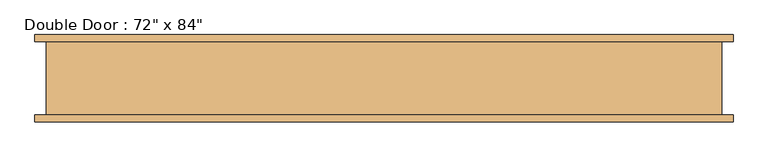
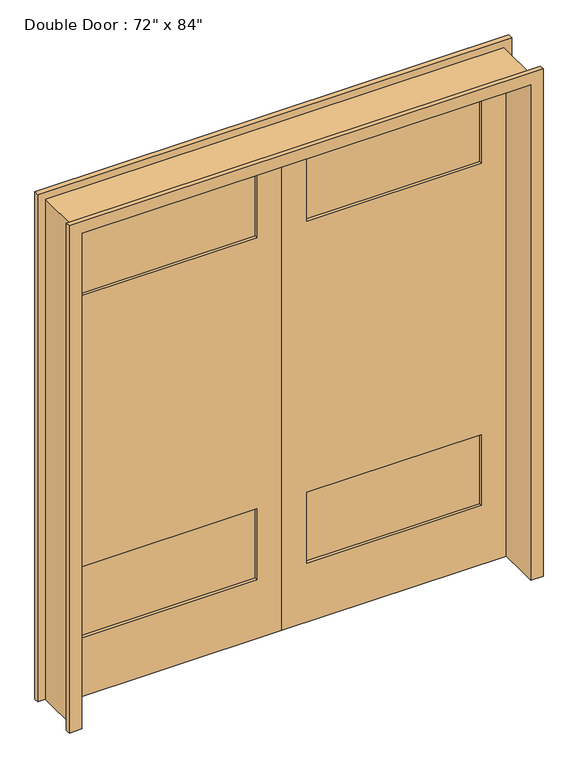
"""IFC4 building model written with IfcOpenShell, lengths in millimetres: door geometry."""

from ifc_helpers import new_model, si_unit, frame, origin, place, context, project, spatial, polyline, outline, extrude, faceted_brep, source, transform, mapped, element, save


def door_c40cea28(model_context):
    return source(origin(), model_context, "Body", "SolidModel", [
        extrude(outline(polyline([(812.8, 63.5), (101.6, 63.5), (101.6, 76.2), (812.8, 76.2), (812.8, 63.5)])), frame((0.0, 0.0, 1727.2), z_axis=(0.0, 0.0, 1.0), x_axis=(1.0, 0.0, 0.0)), (0.0, 0.0, 1.0), 304.8),
        extrude(outline(polyline([(812.8, 63.5), (101.6, 63.5), (101.6, 76.2), (812.8, 76.2), (812.8, 63.5)])), frame((0.0, 0.0, 254.0), z_axis=(0.0, 0.0, 1.0), x_axis=(1.0, 0.0, 0.0)), (0.0, 0.0, 1.0), 304.8),
        extrude(outline(polyline([(-101.6, 63.5), (-812.8, 63.5), (-812.8, 76.2), (-101.6, 76.2), (-101.6, 63.5)])), frame((0.0, 0.0, 254.0), z_axis=(0.0, 0.0, 1.0), x_axis=(1.0, 0.0, 0.0)), (0.0, 0.0, 1.0), 304.8),
        faceted_brep([(-965.2, -101.6, 0.0), (-933.45, -101.6, 0.0), (-933.45, 101.6, 0.0), (-965.2, 101.6, 0.0), (-965.2, 120.65, 0.0), (-914.4, 120.65, 0.0), (-914.4, -120.65, 0.0), (-965.2, -120.65, 0.0), (-965.2, -101.6, 2184.4), (965.2, -101.6, 2184.4), (965.2, -101.6, 0.0), (933.45, -101.6, 0.0), (933.45, -101.6, 2152.65), (-933.45, -101.6, 2152.65), (-933.45, 101.6, 2152.65), (933.45, 101.6, 2152.65), (933.45, 101.6, 0.0), (965.2, 101.6, 0.0), (965.2, 101.6, 2184.4), (-965.2, 101.6, 2184.4), (-965.2, 120.65, 2184.4), (965.2, 120.65, 2184.4), (965.2, 120.65, 0.0), (914.4, 120.65, 0.0), (914.4, 120.65, 2133.6), (-914.4, 120.65, 2133.6), (-914.4, -120.65, 2133.6), (914.4, -120.65, 2133.6), (914.4, -120.65, 0.0), (965.2, -120.65, 0.0), (965.2, -120.65, 2184.4), (-965.2, -120.65, 2184.4)], [[[0, 1, 2, 3, 4, 5, 6, 7]], [[1, 0, 8, 9, 10, 11, 12, 13]], [[2, 1, 13, 14]], [[3, 2, 14, 15, 16, 17, 18, 19]], [[4, 3, 19, 20]], [[5, 4, 20, 21, 22, 23, 24, 25]], [[6, 5, 25, 26]], [[7, 6, 26, 27, 28, 29, 30, 31]], [[0, 7, 31, 8]], [[13, 12, 15, 14]], [[19, 18, 21, 20]], [[25, 24, 27, 26]], [[9, 8, 31, 30]], [[11, 10, 29, 28, 23, 22, 17, 16]], [[12, 11, 16, 15]], [[18, 17, 22, 21]], [[24, 23, 28, 27]], [[10, 9, 30, 29]]]),
        extrude(outline(polyline([(-101.6, 63.5), (-812.8, 63.5), (-812.8, 76.2), (-101.6, 76.2), (-101.6, 63.5)])), frame((0.0, 0.0, 1727.2), z_axis=(0.0, 0.0, 1.0), x_axis=(1.0, 0.0, 0.0)), (0.0, 0.0, 1.0), 304.8),
        extrude(outline(polyline([(2133.6, 0.0), (0.0, 0.0), (0.0, 914.4), (2133.6, 914.4), (2133.6, 0.0)]), holes=[polyline([(2032.0, 812.8), (1727.2, 812.8), (1727.2, 101.6), (2032.0, 101.6), (2032.0, 812.8)]), polyline([(558.8, 812.8), (254.0, 812.8), (254.0, 101.6), (558.8, 101.6), (558.8, 812.8)])]), frame((0.0, 50.8, 0.0), z_axis=(0.0, 1.0, 0.0), x_axis=(0.0, 0.0, 1.0)), (0.0, 0.0, 1.0), 50.8),
        extrude(outline(polyline([(2133.6, 0.0), (2133.6, -914.4), (0.0, -914.4), (0.0, 0.0), (2133.6, 0.0)]), holes=[polyline([(2032.0, -101.6), (1727.2, -101.6), (1727.2, -812.8), (2032.0, -812.8), (2032.0, -101.6)]), polyline([(558.8, -101.6), (254.0, -101.6), (254.0, -812.8), (558.8, -812.8), (558.8, -101.6)])]), frame((0.0, 50.8, 0.0), z_axis=(0.0, 1.0, 0.0), x_axis=(0.0, 0.0, 1.0)), (0.0, 0.0, 1.0), 50.8),
    ])


if __name__ == "__main__":
    model = new_model("IFC4")
    model_context = context("Model", 3, world=origin())
    ifc_project = project(units=[si_unit("LENGTHUNIT", "METRE", prefix="MILLI")], contexts=[model_context])
    site = spatial("IfcSite", under=ifc_project)
    building = spatial("IfcBuilding", under=site)
    placement = place(None, origin())
    door_shape = door_c40cea28(model_context)
    element("IfcDoor", 1, ObjectType="Double Door : 72\" x 84\"", at=placement, inside=building, context=model_context, shape_type="MappedRepresentation", body=[
        mapped(door_shape, transform((0.0, 0.0, 0.0), x_axis=(1.0, 0.0, 0.0), y_axis=(0.0, 1.0, 0.0), z_axis=(0.0, 0.0, 1.0))),
    ])
    save(model, "model.ifc")
